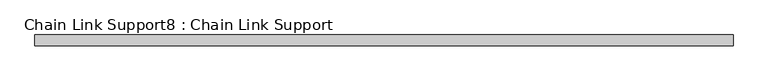
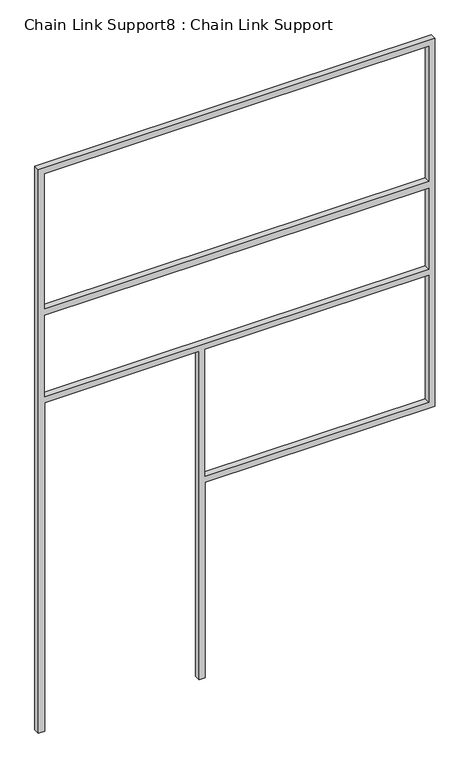
"""IFC4 building model written with IfcOpenShell, lengths in millimetres: proxy geometry, Chain Link Support8 : Chain Link Support."""

from ifc_helpers import new_model, si_unit, frame, origin, place, context, project, spatial, polyline, outline, extrude, source, transform, mapped, element, save


def chain_link_support8_chain_link_support_8e33e66c(model_context):
    return source(origin(), model_context, "Body", "SweptSolid", [
        extrude(outline(polyline([(3657.6, -24700.2868371), (0.0, -24700.2868371), (0.0, -24662.1868371), (2133.6, -24662.1868371), (2133.6, -23712.8618371), (0.0, -23712.8618371), (0.0, -23674.7618371), (1270.0, -23674.7618371), (1270.0, -22261.8868371), (3657.6, -22261.8868371), (3657.6, -24700.2868371)]), holes=[polyline([(2743.2, -24662.1868371), (3619.5, -24662.1868371), (3619.5, -22299.9868371), (2743.2, -22299.9868371), (2743.2, -24662.1868371)]), polyline([(1308.1, -22299.9868371), (1308.1, -23674.7618371), (2133.6, -23674.7618371), (2133.6, -22299.9868371), (1308.1, -22299.9868371)]), polyline([(2171.7, -24662.1868371), (2698.75, -24662.1868371), (2698.75, -22299.9868371), (2171.7, -22299.9868371), (2171.7, -24662.1868371)])]), frame((0.0, 738.9021235, 0.0), z_axis=(0.0, 1.0, 0.0), x_axis=(0.0, 0.0, 1.0)), (0.0, 0.0, 1.0), 38.1),
    ])


if __name__ == "__main__":
    model = new_model("IFC4")
    model_context = context("Model", 3, world=origin())
    ifc_project = project(units=[si_unit("LENGTHUNIT", "METRE", prefix="MILLI")], contexts=[model_context])
    site = spatial("IfcSite", under=ifc_project)
    building = spatial("IfcBuilding", under=site)
    placement = place(None, origin())
    chain_link_support8_chain_link_support_shape = chain_link_support8_chain_link_support_8e33e66c(model_context)
    element("IfcBuildingElementProxy", 1, Name="Chain Link Support8 : Chain Link Support", ObjectType="Chain Link Support8 : Chain Link Support", at=placement, inside=building, context=model_context, shape_type="MappedRepresentation", body=[
        mapped(chain_link_support8_chain_link_support_shape, transform((0.0, 0.0, 0.0), x_axis=(1.0, 0.0, 0.0), y_axis=(0.0, 1.0, 0.0), z_axis=(0.0, 0.0, 1.0))),
    ])
    save(model, "model.ifc")
